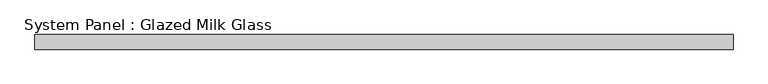
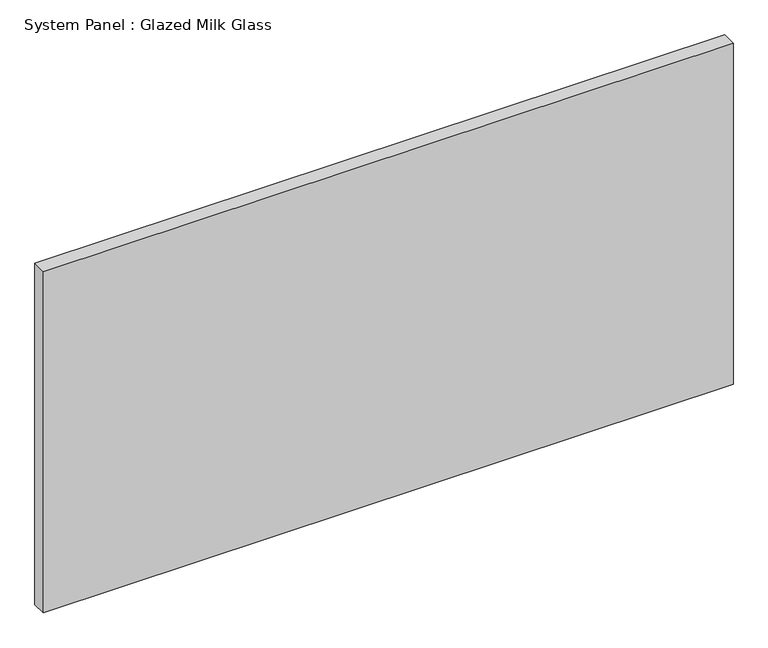
"""IFC4 building model written with IfcOpenShell, lengths in millimetres: plate geometry, System Panel : Glazed Milk Glass."""

from ifc_helpers import new_model, si_unit, origin, origin_with_axes, place, context, project, spatial, polyline, outline, extrude, source, transform, mapped, element, save


def system_panel_glazed_milk_glass_13fcc538(model_context):
    return source(origin(), model_context, "Body", "SweptSolid", [
        extrude(outline(polyline([(597.5000002, -12.5), (-597.5000002, -12.5), (-597.5000002, 12.5), (597.5000002, 12.5), (597.5000002, -12.5)])), origin_with_axes(), (0.0, 0.0, 1.0), 625.0),
    ])


if __name__ == "__main__":
    model = new_model("IFC4")
    model_context = context("Model", 3, world=origin())
    ifc_project = project(units=[si_unit("LENGTHUNIT", "METRE", prefix="MILLI")], contexts=[model_context])
    site = spatial("IfcSite", under=ifc_project)
    building = spatial("IfcBuilding", under=site)
    placement = place(None, origin())
    system_panel_glazed_milk_glass_shape = system_panel_glazed_milk_glass_13fcc538(model_context)
    element("IfcPlate", 1, ObjectType="System Panel : Glazed Milk Glass", at=placement, inside=building, context=model_context, shape_type="MappedRepresentation", body=[
        mapped(system_panel_glazed_milk_glass_shape, transform((0.0, 0.0, 0.0), x_axis=(1.0, 0.0, 0.0), y_axis=(0.0, 1.0, 0.0), z_axis=(0.0, 0.0, 1.0))),
    ])
    save(model, "model.ifc")
